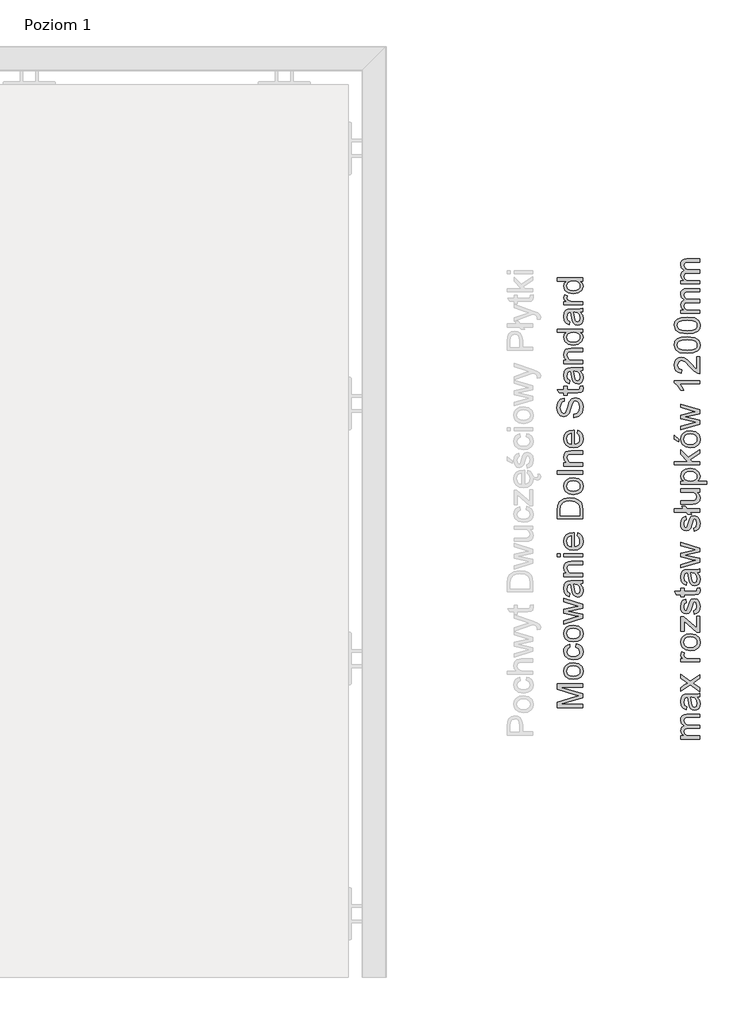
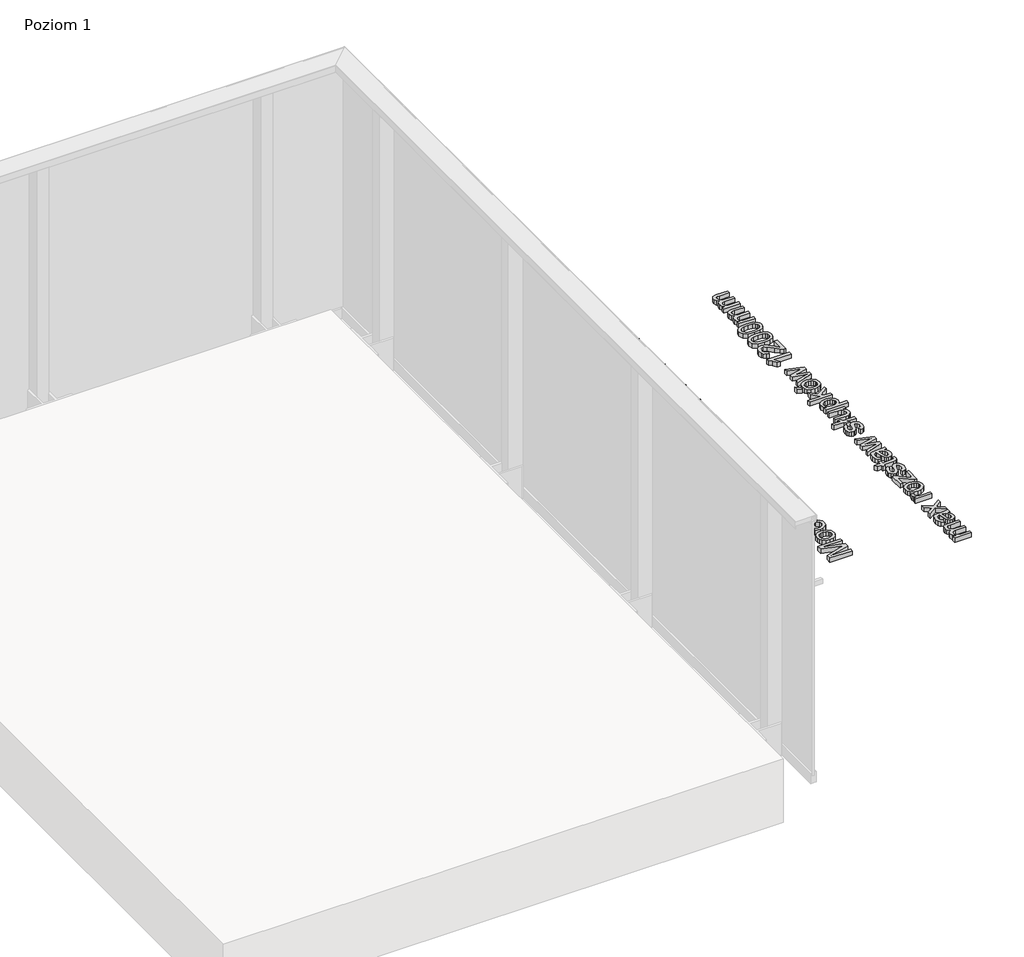
# One storey, part 35 of 35: 2 proxies.
"""IFC4 building model written with IfcOpenShell, lengths in millimetres."""

from ifc_helpers import new_model, si_unit, origin, origin_with_axes, place, context, project, spatial, polyline, outline, extrude, element, save

model = new_model("IFC4")

# Units and contexts
model_context = context("Model", 3, world=origin())
ifc_project = project(units=[si_unit("LENGTHUNIT", "METRE", prefix="MILLI")], contexts=[model_context])

# Site, building, storey
site = spatial("IfcSite", under=ifc_project)
building = spatial("IfcBuilding", under=site)
storey = spatial("IfcBuildingStorey", under=building, Name="Poziom 1", Elevation=0.0)

# Proxies
placement = place(None, origin())
element("IfcBuildingElementProxy", 1, Name="Generic Models", at=placement, inside=storey, context=model_context, shape_type="SweptSolid", body=[
    extrude(outline(polyline([(20311.0111089, 1428.6091584), (20210.5547987, 1428.6091584), (20210.5547987, 1450.2160943), (20281.3598201, 1470.7684351), (20296.1486763, 1474.9132389), (20280.1335468, 1479.4013992), (20210.5547987, 1499.6103835), (20210.5547987, 1521.2173194), (20311.0111089, 1521.2173194), (20311.0111089, 1508.6602806), (20223.1118375, 1508.6602806), (20311.0111089, 1483.4235757), (20311.0111089, 1466.4029021), (20223.1118375, 1441.1661972), (20311.0111089, 1441.1661972), (20311.0111089, 1428.6091584)])), origin_with_axes(), (0.0, 0.0, 1.0), 20.0),
    extrude(outline(polyline([(20274.1248075, 1538.4832477), (20256.337713, 1541.1994431), (20243.8358566, 1549.3480293), (20237.7106214, 1559.4157332), (20235.6688763, 1571.4699999), (20238.1551454, 1584.6616351), (20245.6139529, 1595.1983886), (20257.4566874, 1602.1053731), (20273.0947379, 1604.4077012), (20295.4374378, 1600.3364738), (20308.0803157, 1588.4784108), (20312.5807387, 1571.4699999), (20310.1036666, 1558.1189492), (20302.6724503, 1547.5944584), (20290.5813954, 1540.7610504), (20274.1248075, 1538.4832477)]), holes=[polyline([(20274.100282, 1551.0402864), (20285.46477, 1552.4934203), (20293.5612396, 1556.852822), (20298.4080849, 1563.4133842), (20300.0237, 1571.4699999), (20298.3988878, 1579.4898274), (20293.5244514, 1586.0381269), (20285.3206829, 1590.3975286), (20273.7078746, 1591.8506624), (20262.6744804, 1590.3883315), (20254.6883754, 1586.0013387), (20249.8415301, 1579.4438422), (20248.225915, 1571.4699999), (20249.8353988, 1563.4133842), (20254.66385, 1556.852822), (20262.7419254, 1552.4934203), (20274.100282, 1551.0402864)])]), origin_with_axes(), (0.0, 0.0, 1.0), 20.0),
    extrude(outline(polyline([(20284.3274015, 1665.6232652), (20285.8970314, 1678.180304), (20297.0653156, 1674.6792937), (20305.5051417, 1668.1003373), (20310.8118395, 1659.062703), (20312.5807387, 1648.1856586), (20310.1128637, 1634.8284765), (20302.7092385, 1624.3836935), (20290.6948257, 1617.642256), (20274.3945876, 1615.3951101), (20253.5356785, 1619.2333456), (20240.1325112, 1630.9319931), (20235.6688763, 1648.0139804), (20237.2017179, 1658.6243102), (20241.8002429, 1667.1070559), (20249.2191964, 1673.1924373), (20259.213324, 1676.6106741), (20260.7829538, 1664.0536354), (20251.3774375, 1658.2288371), (20248.225915, 1648.1120822), (20249.7771508, 1639.9972186), (20254.430858, 1633.556218), (20262.4384228, 1629.3531662), (20274.0512311, 1627.9521489), (20285.8203893, 1629.3225093), (20293.8555452, 1633.4335906), (20298.4816613, 1639.7580953), (20300.0237, 1647.7687257), (20296.1732018, 1659.6022632), (20284.3274015, 1665.6232652)])), origin_with_axes(), (0.0, 0.0, 1.0), 20.0),
    extrude(outline(polyline([(20274.1248075, 1686.0284532), (20256.337713, 1688.7446486), (20243.8358566, 1696.8932348), (20237.7106214, 1706.9609387), (20235.6688763, 1719.0152054), (20238.1551454, 1732.2068406), (20245.6139529, 1742.7435941), (20257.4566874, 1749.6505786), (20273.0947379, 1751.9529067), (20295.4374378, 1747.8816793), (20308.0803157, 1736.0236163), (20312.5807387, 1719.0152054), (20310.1036666, 1705.6641547), (20302.6724503, 1695.139664), (20290.5813954, 1688.3062559), (20274.1248075, 1686.0284532)]), holes=[polyline([(20274.100282, 1698.585492), (20285.46477, 1700.0386259), (20293.5612396, 1704.3980275), (20298.4080849, 1710.9585897), (20300.0237, 1719.0152054), (20298.3988878, 1727.0350329), (20293.5244514, 1733.5833324), (20285.3206829, 1737.9427341), (20273.7078746, 1739.395868), (20262.6744804, 1737.933537), (20254.6883754, 1733.5465442), (20249.8415301, 1726.9890477), (20248.225915, 1719.0152054), (20249.8353988, 1710.9585897), (20254.66385, 1704.3980275), (20262.7419254, 1700.0386259), (20274.100282, 1698.585492)])]), origin_with_axes(), (0.0, 0.0, 1.0), 20.0),
    extrude(outline(polyline([(20311.0111089, 1778.3177831), (20237.2385061, 1755.8769814), (20237.2385061, 1768.9245295), (20280.2806996, 1781.6532465), (20295.658167, 1785.4546938), (20280.8447853, 1788.569428), (20237.2385061, 1798.6984456), (20237.2385061, 1813.6589801), (20280.722158, 1823.7389467), (20294.137588, 1826.5103244), (20279.986394, 1830.48345), (20237.2385061, 1843.2366925), (20237.2385061, 1856.3332915), (20311.0111089, 1833.7208115), (20311.0111089, 1818.5395479), (20267.7481863, 1808.9010396), (20254.2591798, 1806.1051364), (20311.0111089, 1793.670725), (20311.0111089, 1778.3177831)])), origin_with_axes(), (0.0, 0.0, 1.0), 20.0),
    extrude(outline(polyline([(20301.5933298, 1912.055151), (20310.1036666, 1899.878257), (20312.5807387, 1886.4260387), (20311.0908167, 1875.9322048), (20306.6210504, 1868.1913545), (20299.8336276, 1863.4180856), (20291.3907358, 1861.826996), (20281.4579219, 1864.2304917), (20274.2474348, 1870.5457993), (20270.1271565, 1879.3381789), (20268.2386956, 1890.2029605), (20263.9222135, 1911.9815746), (20261.1263103, 1912.055151), (20251.8556841, 1908.5970603), (20248.225915, 1894.7156463), (20250.6416735, 1882.0114548), (20259.213324, 1875.9536646), (20257.6436941, 1863.3966258), (20245.380961, 1868.8290166), (20238.1949993, 1879.7673746), (20235.6688763, 1896.3343271), (20237.9006937, 1911.552379), (20243.5047628, 1920.1485549), (20252.0273623, 1923.9990532), (20263.0147713, 1924.6121898), (20278.6374933, 1924.6121898), (20300.4528956, 1925.2498519), (20311.0111089, 1927.7514495), (20311.0111089, 1915.1944107), (20301.5933298, 1912.055151)]), holes=[polyline([(20276.4792523, 1912.055151), (20280.3297505, 1891.7971158), (20282.3653642, 1880.9936479), (20285.6763022, 1876.1008174), (20290.507819, 1874.3840347), (20297.3013732, 1878.1241684), (20300.0237, 1889.0993145), (20297.0193303, 1901.8035061), (20289.7475296, 1909.9950119), (20280.0354449, 1911.9815746), (20276.4792523, 1912.055151)])]), origin_with_axes(), (0.0, 0.0, 1.0), 20.0),
    extrude(outline(polyline([(20311.0111089, 1941.8781181), (20237.2385061, 1941.8781181), (20237.2385061, 1954.4351569), (20247.539202, 1954.4351569), (20238.6364577, 1964.036877), (20235.6688763, 1977.1457387), (20238.0601092, 1989.0038017), (20244.3386286, 1997.0972056), (20253.5724667, 2000.8618647), (20265.7125726, 2001.5240523), (20311.0111089, 2001.5240523), (20311.0111089, 1988.9670135), (20267.4048297, 1988.9670135), (20256.2947935, 1987.520011), (20250.4209443, 1982.4064513), (20248.225915, 1973.7857498), (20253.1555338, 1960.1618533), (20260.2985759, 1955.866831), (20271.8684646, 1954.4351569), (20311.0111089, 1954.4351569), (20311.0111089, 1941.8781181)])), origin_with_axes(), (0.0, 0.0, 1.0), 20.0),
    extrude(outline(polyline([(20223.1118375, 2018.7899806), (20210.5547987, 2018.7899806), (20210.5547987, 2031.3470193), (20223.1118375, 2031.3470193), (20223.1118375, 2018.7899806)])), origin_with_axes(), (0.0, 0.0, 1.0), 20.0),
    extrude(outline(polyline([(20311.0111089, 2018.7899806), (20237.2385061, 2018.7899806), (20237.2385061, 2031.3470193), (20311.0111089, 2031.3470193), (20311.0111089, 2018.7899806)])), origin_with_axes(), (0.0, 0.0, 1.0), 20.0),
    extrude(outline(polyline([(20289.036291, 2101.8332096), (20290.6059209, 2114.1449937), (20299.8826785, 2109.70895), (20306.8172541, 2102.6302873), (20311.1398676, 2093.0684211), (20312.5807387, 2081.182767), (20310.0944696, 2066.4490931), (20302.6356621, 2055.1121962), (20290.6886943, 2047.883315), (20274.7379442, 2045.473688), (20258.2506994, 2047.9078405), (20245.9205212, 2055.2102981), (20238.2317875, 2066.3939108), (20235.6688763, 2080.4715284), (20238.2256561, 2094.1107534), (20245.8959957, 2105.0092575), (20258.2016485, 2112.1553653), (20274.6643678, 2114.5374012), (20278.0488821, 2114.4638248), (20278.0488821, 2058.0307267), (20287.4482671, 2060.2042962), (20294.3583172, 2065.2534766), (20298.6073543, 2072.5406058), (20300.0237, 2081.4280216), (20297.3994751, 2093.7398057), (20289.036291, 2101.8332096)]), holes=[polyline([(20265.4918434, 2058.0307267), (20265.4918434, 2101.9803624), (20254.112027, 2096.9526418), (20249.697443, 2089.6317901), (20248.225915, 2080.4224775), (20252.9225419, 2064.959171), (20258.4131806, 2060.0939316), (20265.4918434, 2058.0307267)])]), origin_with_axes(), (0.0, 0.0, 1.0), 20.0),
    extrude(outline(polyline([(20311.0111089, 2167.904816), (20210.5547987, 2167.904816), (20210.5547987, 2202.5592999), (20212.0018013, 2220.4874158), (20219.1877629, 2235.2517465), (20236.3555893, 2247.1465977), (20260.2433936, 2251.0951978), (20280.5136915, 2248.421922), (20295.1431322, 2241.5547914), (20304.2543429, 2232.382267), (20309.2943262, 2220.3770512), (20311.0111089, 2204.2270316), (20311.0111089, 2167.904816)]), holes=[polyline([(20298.4540701, 2180.4618547), (20298.4540701, 2202.6819272), (20296.6391856, 2218.8442096), (20291.5133631, 2228.1638868), (20279.0421635, 2235.8035695), (20260.0471898, 2238.538159), (20246.3619796, 2237.1984554), (20236.2574875, 2233.1793446), (20225.1229257, 2220.1440593), (20223.1118375, 2202.3385707), (20223.1118375, 2180.4618547), (20298.4540701, 2180.4618547)])]), origin_with_axes(), (0.0, 0.0, 1.0), 20.0),
    extrude(outline(polyline([(20274.1248075, 2263.6522366), (20256.337713, 2266.368432), (20243.8358566, 2274.5170182), (20237.7106214, 2284.5847221), (20235.6688763, 2296.6389888), (20238.1551454, 2309.830624), (20245.6139529, 2320.3673775), (20257.4566874, 2327.2743619), (20273.0947379, 2329.5766901), (20295.4374378, 2325.5054627), (20308.0803157, 2313.6473997), (20312.5807387, 2296.6389888), (20310.1036666, 2283.2879381), (20302.6724503, 2272.7634473), (20290.5813954, 2265.9300393), (20274.1248075, 2263.6522366)]), holes=[polyline([(20274.100282, 2276.2092753), (20285.46477, 2277.6624092), (20293.5612396, 2282.0218109), (20298.4080849, 2288.5823731), (20300.0237, 2296.6389888), (20298.3988878, 2304.6588163), (20293.5244514, 2311.2071158), (20285.3206829, 2315.5665175), (20273.7078746, 2317.0196513), (20262.6744804, 2315.5573204), (20254.6883754, 2311.1703276), (20249.8415301, 2304.612831), (20248.225915, 2296.6389888), (20249.8353988, 2288.5823731), (20254.66385, 2282.0218109), (20262.7419254, 2277.6624092), (20274.100282, 2276.2092753)])]), origin_with_axes(), (0.0, 0.0, 1.0), 20.0),
    extrude(outline(polyline([(20311.0111089, 2343.7033587), (20210.5547987, 2343.7033587), (20210.5547987, 2356.2603975), (20311.0111089, 2356.2603975), (20311.0111089, 2343.7033587)])), origin_with_axes(), (0.0, 0.0, 1.0), 20.0),
    extrude(outline(polyline([(20311.0111089, 2375.0959556), (20237.2385061, 2375.0959556), (20237.2385061, 2387.6529944), (20247.539202, 2387.6529944), (20238.6364577, 2397.2547145), (20235.6688763, 2410.3635762), (20238.0601092, 2422.2216392), (20244.3386286, 2430.3150431), (20253.5724667, 2434.0797022), (20265.7125726, 2434.7418898), (20311.0111089, 2434.7418898), (20311.0111089, 2422.184851), (20267.4048297, 2422.184851), (20256.2947935, 2420.7378485), (20250.4209443, 2415.6242888), (20248.225915, 2407.0035874), (20253.1555338, 2393.3796908), (20260.2985759, 2389.0846685), (20271.8684646, 2387.6529944), (20311.0111089, 2387.6529944), (20311.0111089, 2375.0959556)])), origin_with_axes(), (0.0, 0.0, 1.0), 20.0),
    extrude(outline(polyline([(20289.036291, 2503.6584502), (20290.6059209, 2515.9702343), (20299.8826785, 2511.5341906), (20306.8172541, 2504.4555279), (20311.1398676, 2494.8936617), (20312.5807387, 2483.0080076), (20310.0944696, 2468.2743336), (20302.6356621, 2456.9374368), (20290.6886943, 2449.7085556), (20274.7379442, 2447.2989286), (20258.2506994, 2449.7330811), (20245.9205212, 2457.0355387), (20238.2317875, 2468.2191513), (20235.6688763, 2482.296769), (20238.2256561, 2495.935994), (20245.8959957, 2506.8344981), (20258.2016485, 2513.9806059), (20274.6643678, 2516.3626418), (20278.0488821, 2516.2890654), (20278.0488821, 2459.8559673), (20287.4482671, 2462.0295368), (20294.3583172, 2467.0787172), (20298.6073543, 2474.3658464), (20300.0237, 2483.2532622), (20297.3994751, 2495.5650463), (20289.036291, 2503.6584502)]), holes=[polyline([(20265.4918434, 2459.8559673), (20265.4918434, 2503.805603), (20254.112027, 2498.7778824), (20249.697443, 2491.4570307), (20248.225915, 2482.2477181), (20252.9225419, 2466.7844116), (20258.4131806, 2461.9191722), (20265.4918434, 2459.8559673)])]), origin_with_axes(), (0.0, 0.0, 1.0), 20.0),
    extrude(outline(polyline([(20276.4792523, 2565.021167), (20276.4792523, 2577.5782058), (20289.0485538, 2581.6249077), (20296.9948049, 2591.5086707), (20300.0237, 2606.567307), (20297.7305689, 2619.6884315), (20291.427524, 2628.1619801), (20283.0030263, 2630.9456205), (20275.1671398, 2628.8609559), (20269.4649689, 2620.3260936), (20264.6702402, 2602.0423585), (20258.47756, 2582.3606717), (20249.1333573, 2571.6798311), (20236.6498949, 2568.1604267), (20222.4373872, 2572.513697), (20212.4064714, 2585.2301513), (20208.9851689, 2603.8449802), (20212.565887, 2623.710608), (20223.087312, 2636.9543598), (20238.808136, 2641.9330295), (20238.808136, 2629.3759907), (20231.315606, 2627.0705969), (20225.9077407, 2622.2636055), (20221.5422077, 2604.3354896), (20225.8586897, 2586.3583227), (20236.2820129, 2580.7174655), (20244.9885535, 2584.7151165), (20252.0028369, 2605.2184064), (20258.3058817, 2627.4384789), (20268.4839502, 2639.5908474), (20282.6841953, 2643.5026593), (20297.7060434, 2639.0022362), (20308.6689269, 2626.05279), (20312.5807387, 2607.0578163), (20308.3623585, 2584.6292774), (20295.658167, 2570.4412951), (20276.4792523, 2565.021167)])), origin_with_axes(), (0.0, 0.0, 1.0), 20.0),
    extrude(outline(polyline([(20300.5387348, 2687.452295), (20311.3789909, 2689.0219249), (20312.5807387, 2679.6286712), (20310.4960741, 2669.1072462), (20305.0268951, 2663.8587964), (20290.7775992, 2662.3382175), (20249.7955449, 2662.3382175), (20249.7955449, 2652.9204384), (20237.2385061, 2652.9204384), (20237.2385061, 2662.3382175), (20219.3103902, 2662.3382175), (20211.9282249, 2674.8952562), (20237.2385061, 2674.8952562), (20237.2385061, 2687.452295), (20249.7955449, 2687.452295), (20249.7955449, 2674.8952562), (20290.4097172, 2674.8952562), (20296.8844403, 2675.5574438), (20299.1775714, 2677.7034221), (20300.0237, 2681.983116), (20300.5387348, 2687.452295)])), origin_with_axes(), (0.0, 0.0, 1.0), 20.0),
    extrude(outline(polyline([(20301.5933298, 2747.0982292), (20310.1036666, 2734.9213351), (20312.5807387, 2721.4691168), (20311.0908167, 2710.9752829), (20306.6210504, 2703.2344326), (20299.8336276, 2698.4611637), (20291.3907358, 2696.8700741), (20281.4579219, 2699.2735698), (20274.2474348, 2705.5888774), (20270.1271565, 2714.3812571), (20268.2386956, 2725.2460386), (20263.9222135, 2747.0246528), (20261.1263103, 2747.0982292), (20251.8556841, 2743.6401384), (20248.225915, 2729.7587245), (20250.6416735, 2717.0545329), (20259.213324, 2710.9967427), (20257.6436941, 2698.4397039), (20245.380961, 2703.8720947), (20238.1949993, 2714.8104527), (20235.6688763, 2731.3774052), (20237.9006937, 2746.5954571), (20243.5047628, 2755.1916331), (20252.0273623, 2759.0421313), (20263.0147713, 2759.6552679), (20278.6374933, 2759.6552679), (20300.4528956, 2760.2929301), (20311.0111089, 2762.7945276), (20311.0111089, 2750.2374889), (20301.5933298, 2747.0982292)]), holes=[polyline([(20276.4792523, 2747.0982292), (20280.3297505, 2726.840194), (20282.3653642, 2716.036726), (20285.6763022, 2711.1438955), (20290.507819, 2709.4271129), (20297.3013732, 2713.1672465), (20300.0237, 2724.1423927), (20297.0193303, 2736.8465842), (20289.7475296, 2745.03809), (20280.0354449, 2747.0246528), (20276.4792523, 2747.0982292)])]), origin_with_axes(), (0.0, 0.0, 1.0), 20.0),
    extrude(outline(polyline([(20311.0111089, 2776.9211962), (20237.2385061, 2776.9211962), (20237.2385061, 2789.478235), (20247.539202, 2789.478235), (20238.6364577, 2799.0799551), (20235.6688763, 2812.1888168), (20238.0601092, 2824.0468798), (20244.3386286, 2832.1402837), (20253.5724667, 2835.9049428), (20265.7125726, 2836.5671304), (20311.0111089, 2836.5671304), (20311.0111089, 2824.0100916), (20267.4048297, 2824.0100916), (20256.2947935, 2822.5630891), (20250.4209443, 2817.4495294), (20248.225915, 2808.828828), (20253.1555338, 2795.2049314), (20260.2985759, 2790.9099091), (20271.8684646, 2789.478235), (20311.0111089, 2789.478235), (20311.0111089, 2776.9211962)])), origin_with_axes(), (0.0, 0.0, 1.0), 20.0),
    extrude(outline(polyline([(20311.0111089, 2899.3523242), (20299.1653086, 2899.3523242), (20309.2268812, 2891.0443225), (20312.5807387, 2879.5602729), (20307.7246964, 2864.0111272), (20294.1743762, 2853.0237183), (20274.1983839, 2849.1241692), (20254.2101288, 2852.71715), (20240.4513422, 2863.4838297), (20235.6688763, 2879.511222), (20239.0901788, 2891.0872421), (20247.9806604, 2899.3523242), (20210.5547987, 2899.3523242), (20210.5547987, 2911.909363), (20311.0111089, 2911.909363), (20311.0111089, 2899.3523242)]), holes=[polyline([(20274.149333, 2861.6812079), (20285.5076896, 2863.0975536), (20293.5857651, 2867.3465906), (20298.4142162, 2873.5208768), (20300.0237, 2880.7129698), (20298.4877926, 2887.9019971), (20293.8800706, 2893.9199334), (20286.1146949, 2897.9942265), (20275.1058262, 2899.3523242), (20263.0699536, 2897.9697011), (20254.7251636, 2893.8218316), (20249.8507272, 2887.6506111), (20248.225915, 2880.197935), (20249.7863478, 2872.9322656), (20254.4676462, 2866.9787087), (20262.5089335, 2863.0055831), (20274.149333, 2861.6812079)])]), origin_with_axes(), (0.0, 0.0, 1.0), 20.0),
    extrude(outline(polyline([(20301.5933298, 2977.8338165), (20310.1036666, 2965.6569225), (20312.5807387, 2952.2047042), (20311.0908167, 2941.7108703), (20306.6210504, 2933.97002), (20299.8336276, 2929.1967511), (20291.3907358, 2927.6056615), (20281.4579219, 2930.0091572), (20274.2474348, 2936.3244647), (20270.1271565, 2945.1168444), (20268.2386956, 2955.981626), (20263.9222135, 2977.7602401), (20261.1263103, 2977.8338165), (20251.8556841, 2974.3757258), (20248.225915, 2960.4943118), (20250.6416735, 2947.7901203), (20259.213324, 2941.7323301), (20257.6436941, 2929.1752913), (20245.380961, 2934.6076821), (20238.1949993, 2945.5460401), (20235.6688763, 2962.1129926), (20237.9006937, 2977.3310445), (20243.5047628, 2985.9272204), (20252.0273623, 2989.7777186), (20263.0147713, 2990.3908553), (20278.6374933, 2990.3908553), (20300.4528956, 2991.0285174), (20311.0111089, 2993.530115), (20311.0111089, 2980.9730762), (20301.5933298, 2977.8338165)]), holes=[polyline([(20276.4792523, 2977.8338165), (20280.3297505, 2957.5757813), (20282.3653642, 2946.7723134), (20285.6763022, 2941.8794829), (20290.507819, 2940.1627002), (20297.3013732, 2943.9028338), (20300.0237, 2954.87798), (20297.0193303, 2967.5821716), (20289.7475296, 2975.7736774), (20280.0354449, 2977.7602401), (20276.4792523, 2977.8338165)])]), origin_with_axes(), (0.0, 0.0, 1.0), 20.0),
    extrude(outline(polyline([(20311.0111089, 3007.6567836), (20237.2385061, 3007.6567836), (20237.2385061, 3018.6441925), (20248.1523386, 3018.6441925), (20238.0968974, 3026.4432908), (20235.6688763, 3034.2914401), (20239.5439, 3046.8975298), (20250.801089, 3042.703675), (20248.225915, 3033.8745071), (20250.7029871, 3026.7743846), (20257.5701177, 3022.2494361), (20272.2363466, 3020.2138224), (20311.0111089, 3020.2138224), (20311.0111089, 3007.6567836)])), origin_with_axes(), (0.0, 0.0, 1.0), 20.0),
    extrude(outline(polyline([(20311.0111089, 3100.2649445), (20299.1653086, 3100.2649445), (20309.2268812, 3091.9569428), (20312.5807387, 3080.4728932), (20307.7246964, 3064.9237475), (20294.1743762, 3053.9363386), (20274.1983839, 3050.0367895), (20254.2101288, 3053.6297703), (20240.4513422, 3064.39645), (20235.6688763, 3080.4238423), (20239.0901788, 3091.9998624), (20247.9806604, 3100.2649445), (20210.5547987, 3100.2649445), (20210.5547987, 3112.8219833), (20311.0111089, 3112.8219833), (20311.0111089, 3100.2649445)]), holes=[polyline([(20274.149333, 3062.5938282), (20285.5076896, 3064.0101739), (20293.5857651, 3068.2592109), (20298.4142162, 3074.4334971), (20300.0237, 3081.6255901), (20298.4877926, 3088.8146174), (20293.8800706, 3094.8325537), (20286.1146949, 3098.9068468), (20275.1058262, 3100.2649445), (20263.0699536, 3098.8823214), (20254.7251636, 3094.7344519), (20249.8507272, 3088.5632314), (20248.225915, 3081.1105553), (20249.7863478, 3073.8448859), (20254.4676462, 3067.891329), (20262.5089335, 3063.9182034), (20274.149333, 3062.5938282)])]), origin_with_axes(), (0.0, 0.0, 1.0), 20.0),
])
element("IfcBuildingElementProxy", 2, Name="Generic Models", at=placement, inside=storey, context=model_context, shape_type="SweptSolid", body=[
    extrude(outline(polyline([(20769.7173752, 1304.9023417), (20695.9447724, 1304.9023417), (20695.9447724, 1317.4593804), (20708.0848783, 1317.4593804), (20698.1398017, 1326.0923446), (20694.3751426, 1338.3796032), (20698.2133781, 1350.9611675), (20708.9677951, 1357.877349), (20698.0233057, 1367.6752728), (20694.3751426, 1380.0483706), (20695.8926558, 1389.4876094), (20700.4451955, 1396.4681703), (20708.155389, 1400.7815867), (20719.1458636, 1402.2193921), (20769.7173752, 1402.2193921), (20769.7173752, 1389.6623534), (20724.5414662, 1389.6623534), (20714.0568293, 1388.4973937), (20708.8942187, 1384.2790135), (20706.9321813, 1377.1053146), (20711.959902, 1364.7567423), (20718.5020701, 1361.0687253), (20728.0731333, 1359.8393863), (20769.7173752, 1359.8393863), (20769.7173752, 1347.2823475), (20723.1435146, 1347.2823475), (20710.9788833, 1344.3760798), (20706.9321813, 1334.8479361), (20709.6299826, 1325.5527843), (20717.5271828, 1319.3723668), (20732.5122427, 1317.4593804), (20769.7173752, 1317.4593804), (20769.7173752, 1304.9023417)])), origin_with_axes(), (0.0, 0.0, 1.0), 20.0),
    extrude(outline(polyline([(20760.2995961, 1468.1438457), (20768.8099329, 1455.9669516), (20771.287005, 1442.5147333), (20769.797083, 1432.0208994), (20765.3273167, 1424.2800491), (20758.5398939, 1419.5067802), (20750.0970021, 1417.9156906), (20740.1641882, 1420.3191863), (20732.9537011, 1426.6344939), (20728.8334228, 1435.4268736), (20726.9449619, 1446.2916552), (20722.6284798, 1468.0702693), (20719.8325766, 1468.1438457), (20710.5619504, 1464.6857549), (20706.9321813, 1450.804341), (20709.3479398, 1438.1001494), (20717.9195903, 1432.0423592), (20716.3499604, 1419.4853204), (20704.0872273, 1424.9177112), (20696.9012656, 1435.8560692), (20694.3751426, 1452.4230217), (20696.60696, 1467.6410736), (20702.2110291, 1476.2372496), (20710.7336286, 1480.0877478), (20721.7210376, 1480.7008844), (20737.3437596, 1480.7008844), (20759.1591619, 1481.3385466), (20769.7173752, 1483.8401441), (20769.7173752, 1471.2831054), (20760.2995961, 1468.1438457)]), holes=[polyline([(20735.1855186, 1468.1438457), (20739.0360168, 1447.8858105), (20741.0716305, 1437.0823425), (20744.3825685, 1432.189512), (20749.2140853, 1430.4727294), (20756.0076395, 1434.212863), (20758.7299663, 1445.1880092), (20755.7255966, 1457.8922007), (20748.4537959, 1466.0837065), (20738.7417112, 1468.0702693), (20735.1855186, 1468.1438457)])]), origin_with_axes(), (0.0, 0.0, 1.0), 20.0),
    extrude(outline(polyline([(20769.7173752, 1490.1186635), (20732.6348701, 1516.9495237), (20695.9447724, 1491.6882934), (20695.9447724, 1506.7959806), (20713.6031082, 1518.9851374), (20721.9417668, 1524.6750456), (20715.1236871, 1529.6046643), (20695.9447724, 1543.4860783), (20695.9447724, 1558.5937656), (20732.6348701, 1532.057211), (20769.7173752, 1557.6127469), (20769.7173752, 1542.5050596), (20747.4237263, 1527.1275922), (20743.3524989, 1524.3071636), (20769.7173752, 1505.2263508), (20769.7173752, 1490.1186635)])), origin_with_axes(), (0.0, 0.0, 1.0), 20.0),
    extrude(outline(polyline([(20769.7173752, 1607.840902), (20695.9447724, 1607.840902), (20695.9447724, 1618.8283109), (20706.858605, 1618.8283109), (20696.8031637, 1626.6274092), (20694.3751426, 1634.4755584), (20698.2501663, 1647.0816481), (20709.5073553, 1642.8877934), (20706.9321813, 1634.0586255), (20709.4092535, 1626.958503), (20716.276384, 1622.4335544), (20730.9426129, 1620.3979407), (20769.7173752, 1620.3979407), (20769.7173752, 1607.840902)])), origin_with_axes(), (0.0, 0.0, 1.0), 20.0),
    extrude(outline(polyline([(20732.8310738, 1651.7905377), (20715.0439793, 1654.5067331), (20702.5421229, 1662.6553193), (20696.4168877, 1672.7230232), (20694.3751426, 1684.7772899), (20696.8614117, 1697.9689251), (20704.3202192, 1708.5056786), (20716.1629537, 1715.412663), (20731.8010042, 1717.7149912), (20754.1437041, 1713.6437638), (20766.786582, 1701.7857008), (20771.287005, 1684.7772899), (20768.8099329, 1671.4262392), (20761.3787166, 1660.9017484), (20749.2876617, 1654.0683404), (20732.8310738, 1651.7905377)]), holes=[polyline([(20732.8065483, 1664.3475764), (20744.1710363, 1665.8007103), (20752.2675059, 1670.160112), (20757.1143512, 1676.7206742), (20758.7299663, 1684.7772899), (20757.1051541, 1692.7971174), (20752.2307177, 1699.3454169), (20744.0269492, 1703.7048185), (20732.4141409, 1705.1579524), (20721.3807467, 1703.6956215), (20713.3946417, 1699.3086287), (20708.5477964, 1692.7511321), (20706.9321813, 1684.7772899), (20708.5416651, 1676.7206742), (20713.3701163, 1670.160112), (20721.4481917, 1665.8007103), (20732.8065483, 1664.3475764)])]), origin_with_axes(), (0.0, 0.0, 1.0), 20.0),
    extrude(outline(polyline([(20769.7173752, 1723.9935106), (20757.8961004, 1723.9935106), (20708.5018112, 1767.3300096), (20708.5018112, 1754.5031907), (20708.5018112, 1727.1327703), (20695.9447724, 1727.1327703), (20695.9447724, 1785.2090746), (20706.6133503, 1785.2090746), (20750.4403586, 1746.7776688), (20757.1603364, 1740.8915569), (20757.1603364, 1755.410633), (20757.1603364, 1786.7787044), (20769.7173752, 1786.7787044), (20769.7173752, 1723.9935106)])), origin_with_axes(), (0.0, 0.0, 1.0), 20.0),
    extrude(outline(polyline([(20747.7425573, 1794.6268537), (20746.1729275, 1807.1838924), (20755.4926047, 1812.996428), (20758.7299663, 1826.3137562), (20755.7623848, 1839.1160496), (20748.7971524, 1843.2853789), (20743.1562951, 1839.0915241), (20739.5755771, 1826.1666034), (20733.4319477, 1807.2574688), (20726.2582488, 1799.0046494), (20716.1292312, 1796.1964835), (20706.7727658, 1798.4528264), (20699.6235924, 1804.6087185), (20695.9079842, 1812.5917578), (20694.3751426, 1823.3952257), (20696.8399519, 1838.6745912), (20703.5108788, 1848.3866759), (20714.7803306, 1852.703158), (20716.3499604, 1840.1461192), (20709.4215162, 1835.4249669), (20706.9321813, 1824.3762443), (20709.3111516, 1812.3587658), (20714.853907, 1808.7535223), (20718.5082015, 1810.2495757), (20721.2795792, 1814.9339398), (20723.952855, 1825.7496704), (20729.8634924, 1844.1805584), (20736.5589447, 1852.7399462), (20747.4727772, 1855.8424177), (20759.4902557, 1852.2003859), (20768.209059, 1841.6912236), (20771.287005, 1826.1420779), (20769.8032143, 1813.4808059), (20765.3518422, 1804.2408365), (20757.9819395, 1798.0726817), (20747.7425573, 1794.6268537)])), origin_with_axes(), (0.0, 0.0, 1.0), 20.0),
    extrude(outline(polyline([(20759.2450011, 1896.6527937), (20770.0852572, 1898.2224235), (20771.287005, 1888.8291699), (20769.2023404, 1878.3077448), (20763.7331614, 1873.059295), (20749.4838655, 1871.5387161), (20708.5018112, 1871.5387161), (20708.5018112, 1862.120937), (20695.9447724, 1862.120937), (20695.9447724, 1871.5387161), (20678.0166565, 1871.5387161), (20670.6344912, 1884.0957549), (20695.9447724, 1884.0957549), (20695.9447724, 1896.6527937), (20708.5018112, 1896.6527937), (20708.5018112, 1884.0957549), (20749.1159835, 1884.0957549), (20755.5907066, 1884.7579425), (20757.8838377, 1886.9039208), (20758.7299663, 1891.1836147), (20759.2450011, 1896.6527937)])), origin_with_axes(), (0.0, 0.0, 1.0), 20.0),
    extrude(outline(polyline([(20760.2995961, 1956.2987278), (20768.8099329, 1944.1218338), (20771.287005, 1930.6696155), (20769.797083, 1920.1757816), (20765.3273167, 1912.4349312), (20758.5398939, 1907.6616624), (20750.0970021, 1906.0705727), (20740.1641882, 1908.4740684), (20732.9537011, 1914.789376), (20728.8334228, 1923.5817557), (20726.9449619, 1934.4465373), (20722.6284798, 1956.2251514), (20719.8325766, 1956.2987278), (20710.5619504, 1952.8406371), (20706.9321813, 1938.9592231), (20709.3479398, 1926.2550315), (20717.9195903, 1920.1972413), (20716.3499604, 1907.6402026), (20704.0872273, 1913.0725934), (20696.9012656, 1924.0109514), (20694.3751426, 1940.5779039), (20696.60696, 1955.7959557), (20702.2110291, 1964.3921317), (20710.7336286, 1968.2426299), (20721.7210376, 1968.8557666), (20737.3437596, 1968.8557666), (20759.1591619, 1969.4934287), (20769.7173752, 1971.9950263), (20769.7173752, 1959.4379875), (20760.2995961, 1956.2987278)]), holes=[polyline([(20735.1855186, 1956.2987278), (20739.0360168, 1936.0406926), (20741.0716305, 1925.2372247), (20744.3825685, 1920.3443941), (20749.2140853, 1918.6276115), (20756.0076395, 1922.3677451), (20758.7299663, 1933.3428913), (20755.7255966, 1946.0470829), (20748.4537959, 1954.2385886), (20738.7417112, 1956.2251514), (20735.1855186, 1956.2987278)])]), origin_with_axes(), (0.0, 0.0, 1.0), 20.0),
    extrude(outline(polyline([(20769.7173752, 1998.3599026), (20695.9447724, 1975.9191009), (20695.9447724, 1988.966649), (20738.9869659, 2001.695366), (20754.3644333, 2005.4968133), (20739.5510516, 2008.6115475), (20695.9447724, 2018.7405651), (20695.9447724, 2033.7010996), (20739.4284243, 2043.7810663), (20752.8438543, 2046.552444), (20738.6926603, 2050.5255695), (20695.9447724, 2063.278812), (20695.9447724, 2076.375411), (20769.7173752, 2053.7629311), (20769.7173752, 2038.5816674), (20726.4544526, 2028.9431591), (20712.9654461, 2026.147256), (20769.7173752, 2013.7128445), (20769.7173752, 1998.3599026)])), origin_with_axes(), (0.0, 0.0, 1.0), 20.0),
    extrude(outline(polyline([(20747.7425573, 2119.5402318), (20746.1729275, 2132.0972706), (20755.4926047, 2137.9098061), (20758.7299663, 2151.2271343), (20755.7623848, 2164.0294277), (20748.7971524, 2168.198757), (20743.1562951, 2164.0049023), (20739.5755771, 2151.0799815), (20733.4319477, 2132.170847), (20726.2582488, 2123.9180275), (20716.1292312, 2121.1098616), (20706.7727658, 2123.3662045), (20699.6235924, 2129.5220966), (20695.9079842, 2137.5051359), (20694.3751426, 2148.3086038), (20696.8399519, 2163.5879694), (20703.5108788, 2173.300054), (20714.7803306, 2177.6165361), (20716.3499604, 2165.0594973), (20709.4215162, 2160.3383451), (20706.9321813, 2149.2896225), (20709.3111516, 2137.272144), (20714.853907, 2133.6669004), (20718.5082015, 2135.1629539), (20721.2795792, 2139.8473179), (20723.952855, 2150.6630486), (20729.8634924, 2169.0939365), (20736.5589447, 2177.6533243), (20747.4727772, 2180.7557958), (20759.4902557, 2177.113764), (20768.209059, 2166.6046017), (20771.287005, 2151.0554561), (20769.8032143, 2138.3941841), (20765.3518422, 2129.1542146), (20757.9819395, 2122.9860598), (20747.7425573, 2119.5402318)])), origin_with_axes(), (0.0, 0.0, 1.0), 20.0),
    extrude(outline(polyline([(20730.0106452, 2194.8824644), (20737.5399633, 2185.4646853), (20723.4132947, 2185.4646853), (20715.8839766, 2194.8824644), (20669.261065, 2194.8824644), (20669.261065, 2207.4395032), (20705.8285354, 2207.4395032), (20698.2992172, 2216.8572823), (20712.4258858, 2216.8572823), (20719.955204, 2207.4395032), (20769.7173752, 2207.4395032), (20769.7173752, 2194.8824644), (20730.0106452, 2194.8824644)])), origin_with_axes(), (0.0, 0.0, 1.0), 20.0),
    extrude(outline(polyline([(20769.7173752, 2273.3639567), (20757.0377091, 2273.3639567), (20767.7246811, 2263.5292447), (20771.287005, 2250.7024258), (20768.7854075, 2238.8934138), (20762.5068881, 2230.7509589), (20753.2607873, 2227.0108253), (20741.5866653, 2226.2750613), (20695.9447724, 2226.2750613), (20695.9447724, 2238.8321001), (20735.6760279, 2238.8321001), (20748.4783213, 2239.5923896), (20755.9953768, 2244.5587965), (20758.7299663, 2253.9152619), (20755.9340631, 2264.3998988), (20748.3189058, 2271.328343), (20734.3271273, 2273.3639567), (20695.9447724, 2273.3639567), (20695.9447724, 2285.9209955), (20769.7173752, 2285.9209955), (20769.7173752, 2273.3639567)])), origin_with_axes(), (0.0, 0.0, 1.0), 20.0),
    extrude(outline(polyline([(20797.9707124, 2303.1869238), (20695.9447724, 2303.1869238), (20695.9447724, 2315.7439626), (20708.2565565, 2315.7439626), (20697.8454961, 2324.4259776), (20694.3751426, 2336.1491506), (20699.2311849, 2352.0661782), (20712.9163951, 2362.4649759), (20732.2669881, 2365.9721176), (20752.6108624, 2362.0112548), (20766.4677509, 2350.5088111), (20771.287005, 2334.6285716), (20768.0619062, 2323.7024764), (20759.9071887, 2315.7439626), (20797.9707124, 2315.7439626), (20797.9707124, 2303.1869238)]), holes=[polyline([(20733.419685, 2315.7439626), (20744.6768741, 2317.1020603), (20752.5495488, 2321.1763534), (20757.1848619, 2327.1881583), (20758.7299663, 2334.3587915), (20757.1296796, 2341.6459207), (20752.3288196, 2347.8110098), (20744.1679706, 2352.0140616), (20732.4877173, 2353.4150789), (20721.2918419, 2352.0477841), (20713.3088026, 2347.9458999), (20708.5263367, 2341.943292), (20706.9321813, 2334.8738263), (20708.6275042, 2327.7767695), (20713.7134728, 2321.5442353), (20722.0306716, 2317.1940308), (20733.419685, 2315.7439626)])]), origin_with_axes(), (0.0, 0.0, 1.0), 20.0),
    extrude(outline(polyline([(20769.7173752, 2380.0987862), (20669.261065, 2380.0987862), (20669.261065, 2392.655825), (20723.2416165, 2392.655825), (20695.9447724, 2420.8110604), (20695.9447724, 2438.1750906), (20723.584973, 2409.6764987), (20769.7173752, 2439.7447204), (20769.7173752, 2425.0784915), (20732.316039, 2400.6756525), (20740.0906118, 2392.655825), (20769.7173752, 2392.655825), (20769.7173752, 2380.0987862)])), origin_with_axes(), (0.0, 0.0, 1.0), 20.0),
    extrude(outline(polyline([(20732.8310738, 2447.5928696), (20715.0439793, 2450.309065), (20702.5421229, 2458.4576512), (20696.4168877, 2468.5253552), (20694.3751426, 2480.5796219), (20696.8614117, 2493.7712571), (20704.3202192, 2504.3080106), (20716.1629537, 2511.214995), (20731.8010042, 2513.5173232), (20754.1437041, 2509.4460958), (20766.786582, 2497.5880328), (20771.287005, 2480.5796219), (20768.8099329, 2467.2285711), (20761.3787166, 2456.7040804), (20749.2876617, 2449.8706723), (20732.8310738, 2447.5928696)]), holes=[polyline([(20732.8065483, 2460.1499084), (20744.1710363, 2461.6030423), (20752.2675059, 2465.9624439), (20757.1143512, 2472.5230062), (20758.7299663, 2480.5796219), (20757.1051541, 2488.5994494), (20752.2307177, 2495.1477489), (20744.0269492, 2499.5071505), (20732.4141409, 2500.9602844), (20721.3807467, 2499.4979535), (20713.3946417, 2495.1109607), (20708.5477964, 2488.5534641), (20706.9321813, 2480.5796219), (20708.5416651, 2472.5230062), (20713.3701163, 2465.9624439), (20721.4481917, 2461.6030423), (20732.8065483, 2460.1499084)])]), origin_with_axes(), (0.0, 0.0, 1.0), 20.0),
    extrude(outline(polyline([(20688.0966232, 2471.1373173), (20669.261065, 2480.5550964), (20669.261065, 2496.2513949), (20688.0966232, 2480.5550964), (20688.0966232, 2471.1373173)])), origin_with_axes(), (0.0, 0.0, 1.0), 20.0),
    extrude(outline(polyline([(20769.7173752, 2539.8821995), (20695.9447724, 2517.4413978), (20695.9447724, 2530.4889459), (20738.9869659, 2543.2176629), (20754.3644333, 2547.0191102), (20739.5510516, 2550.1338444), (20695.9447724, 2560.262862), (20695.9447724, 2575.2233965), (20739.4284243, 2585.3033632), (20752.8438543, 2588.0747409), (20738.6926603, 2592.0478664), (20695.9447724, 2604.8011089), (20695.9447724, 2617.8977079), (20769.7173752, 2595.285228), (20769.7173752, 2580.1039643), (20726.4544526, 2570.465456), (20712.9654461, 2567.6695529), (20769.7173752, 2555.2351414), (20769.7173752, 2539.8821995)])), origin_with_axes(), (0.0, 0.0, 1.0), 20.0),
    extrude(outline(polyline([(20769.7173752, 2709.7210539), (20769.7173752, 2697.1640152), (20691.4320866, 2697.1640152), (20699.9056352, 2685.269164), (20706.2454683, 2672.0499376), (20694.3751426, 2672.0499376), (20682.6274442, 2690.4563001), (20669.261065, 2701.62765), (20669.261065, 2709.7210539), (20769.7173752, 2709.7210539)])), origin_with_axes(), (0.0, 0.0, 1.0), 20.0),
    extrude(outline(polyline([(20757.1603364, 2803.8988447), (20769.7173752, 2803.8988447), (20769.7173752, 2737.9743912), (20761.0598856, 2739.3232918), (20747.7302946, 2746.9507118), (20733.1744303, 2762.6715358), (20712.2542075, 2784.352048), (20698.0294371, 2789.7721761), (20686.5147306, 2784.6586163), (20681.8181038, 2771.3044999), (20686.404366, 2757.3862978), (20699.0840321, 2752.1010598), (20697.5144023, 2739.544021), (20685.3681651, 2742.5882445), (20676.4960776, 2749.1702665), (20671.0698182, 2758.9467306), (20669.261065, 2771.57428), (20671.2721533, 2784.2938), (20677.305418, 2794.05187), (20686.3185269, 2800.2598786), (20697.2691476, 2802.3292148), (20709.1762615, 2800.0973974), (20721.4880456, 2792.6784438), (20738.6926603, 2774.6890143), (20750.7714524, 2760.2435146), (20757.1603364, 2754.5781319), (20757.1603364, 2803.8988447)])), origin_with_axes(), (0.0, 0.0, 1.0), 20.0),
    extrude(outline(polyline([(20720.2985605, 2816.4558835), (20691.3952984, 2820.1469661), (20674.730244, 2831.1098496), (20669.261065, 2849.4181102), (20672.4984266, 2864.0843391), (20681.8303665, 2874.2133567), (20696.6927992, 2880.0994686), (20720.2985605, 2882.380337), (20749.0791953, 2878.7260425), (20765.7810378, 2867.7999473), (20769.9105132, 2859.5685876), (20771.287005, 2849.4181102), (20768.8957721, 2836.3705621), (20761.7220732, 2826.4622737), (20744.7320564, 2818.957481), (20720.2985605, 2816.4558835)]), holes=[polyline([(20720.274035, 2829.0129222), (20740.0262325, 2830.4844502), (20751.4581655, 2834.8990342), (20756.9120161, 2841.4718591), (20758.7299663, 2849.4181102), (20756.9058847, 2857.3643613), (20751.43364, 2863.9371863), (20739.9955757, 2868.3517702), (20720.274035, 2869.8232982), (20700.9663617, 2868.4008212), (20689.4455238, 2864.13339), (20683.7249588, 2857.5728278), (20681.8181038, 2849.2709574), (20683.4980983, 2841.4105455), (20688.5380816, 2835.0952379), (20700.7762893, 2830.5335011), (20720.274035, 2829.0129222)])]), origin_with_axes(), (0.0, 0.0, 1.0), 20.0),
    extrude(outline(polyline([(20720.2985605, 2893.3677459), (20691.3952984, 2897.0588286), (20674.730244, 2908.0217121), (20669.261065, 2926.3299727), (20672.4984266, 2940.9962016), (20681.8303665, 2951.1252192), (20696.6927992, 2957.0113311), (20720.2985605, 2959.2921995), (20749.0791953, 2955.637905), (20765.7810378, 2944.7118097), (20769.9105132, 2936.4804501), (20771.287005, 2926.3299727), (20768.8957721, 2913.2824246), (20761.7220732, 2903.3741362), (20744.7320564, 2895.8693435), (20720.2985605, 2893.3677459)]), holes=[polyline([(20720.274035, 2905.9247847), (20740.0262325, 2907.3963127), (20751.4581655, 2911.8108966), (20756.9120161, 2918.3837216), (20758.7299663, 2926.3299727), (20756.9058847, 2934.2762238), (20751.43364, 2940.8490488), (20739.9955757, 2945.2636327), (20720.274035, 2946.7351607), (20700.9663617, 2945.3126836), (20689.4455238, 2941.0452525), (20683.7249588, 2934.4846902), (20681.8181038, 2926.1828199), (20683.4980983, 2918.3224079), (20688.5380816, 2912.0071003), (20700.7762893, 2907.4453636), (20720.274035, 2905.9247847)])]), origin_with_axes(), (0.0, 0.0, 1.0), 20.0),
    extrude(outline(polyline([(20769.7173752, 2973.4188681), (20695.9447724, 2973.4188681), (20695.9447724, 2985.9759068), (20708.0848783, 2985.9759068), (20698.1398017, 2994.608871), (20694.3751426, 3006.8961296), (20698.2133781, 3019.4776939), (20708.9677951, 3026.3938754), (20698.0233057, 3036.1917992), (20694.3751426, 3048.564897), (20695.8926558, 3058.0041358), (20700.4451955, 3064.9846967), (20708.155389, 3069.2981131), (20719.1458636, 3070.7359185), (20769.7173752, 3070.7359185), (20769.7173752, 3058.1788798), (20724.5414662, 3058.1788798), (20714.0568293, 3057.0139201), (20708.8942187, 3052.7955399), (20706.9321813, 3045.621841), (20711.959902, 3033.2732687), (20718.5020701, 3029.5852517), (20728.0731333, 3028.3559127), (20769.7173752, 3028.3559127), (20769.7173752, 3015.7988739), (20723.1435146, 3015.7988739), (20710.9788833, 3012.8926062), (20706.9321813, 3003.3644625), (20709.6299826, 2994.0693107), (20717.5271828, 2987.8888932), (20732.5122427, 2985.9759068), (20769.7173752, 2985.9759068), (20769.7173752, 2973.4188681)])), origin_with_axes(), (0.0, 0.0, 1.0), 20.0),
    extrude(outline(polyline([(20769.7173752, 3089.5714767), (20695.9447724, 3089.5714767), (20695.9447724, 3102.1285154), (20708.0848783, 3102.1285154), (20698.1398017, 3110.7614796), (20694.3751426, 3123.0487382), (20698.2133781, 3135.6303025), (20708.9677951, 3142.546484), (20698.0233057, 3152.3444078), (20694.3751426, 3164.7175056), (20695.8926558, 3174.1567444), (20700.4451955, 3181.1373053), (20708.155389, 3185.4507217), (20719.1458636, 3186.8885271), (20769.7173752, 3186.8885271), (20769.7173752, 3174.3314884), (20724.5414662, 3174.3314884), (20714.0568293, 3173.1665287), (20708.8942187, 3168.9481485), (20706.9321813, 3161.7744496), (20711.959902, 3149.4258773), (20718.5020701, 3145.7378603), (20728.0731333, 3144.5085213), (20769.7173752, 3144.5085213), (20769.7173752, 3131.9514825), (20723.1435146, 3131.9514825), (20710.9788833, 3129.0452148), (20706.9321813, 3119.5170711), (20709.6299826, 3110.2219193), (20717.5271828, 3104.0415018), (20732.5122427, 3102.1285154), (20769.7173752, 3102.1285154), (20769.7173752, 3089.5714767)])), origin_with_axes(), (0.0, 0.0, 1.0), 20.0),
])

save(model, "model.ifc")
